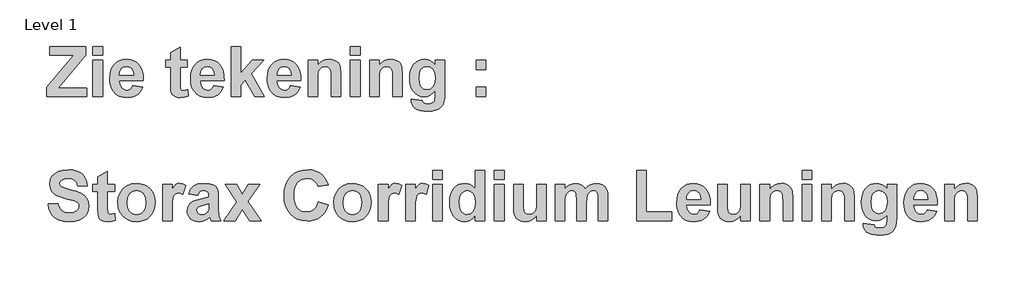
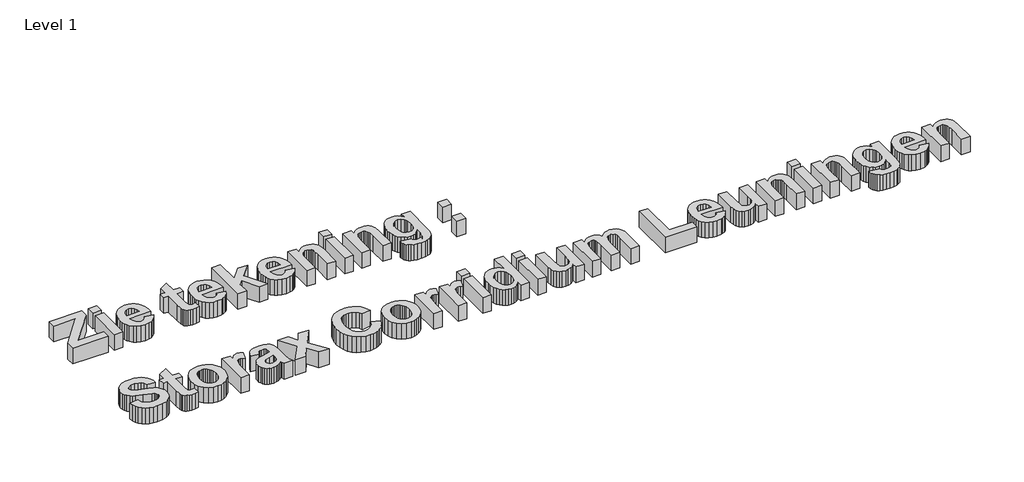
# One storey, part 10 of 14: 1 proxy.
"""IFC4 building model written with IfcOpenShell, lengths in millimetres."""

import ifcopenshell
import ifcopenshell.guid

model = None  # the IFC model being written
_history = None  # IfcOwnerHistory: only IFC2X3 demands one
_inside = {}  # id of a spatial element -> (the spatial element, [elements in it])
_under = {}  # id of a project, library or spatial element -> (it, [spatial elements below it])
_declared = {}  # id of a project -> (the project, [libraries it declares])
_typed = {}  # id of a type object -> (the type object, [elements of that type])
_made_of = {}  # id of a material, layer set ... -> (it, [elements and type objects made of it])


def new_model(schema):
    """Start an empty IFC model of exactly this schema.

    Asked for "IFC4X3", IfcOpenShell would pick the latest addendum, in which some entities
    have other attributes; the version numbers below select the first issue.
    IFC2X3 requires an IfcOwnerHistory on every rooted entity: one is made here for all.
    """
    global model, _history
    if schema == "IFC4X3":
        model = ifcopenshell.file(schema_version=(4, 3, 0, 0))
    else:
        model = ifcopenshell.file(schema=schema)
    _inside.clear()
    _under.clear()
    _declared.clear()
    _typed.clear()
    _made_of.clear()
    _history = None
    if model.schema == "IFC2X3":
        org = make("IfcOrganization", Name="unknown")
        user = make(
            "IfcPersonAndOrganization",
            ThePerson=make("IfcPerson", FamilyName="unknown"),
            TheOrganization=org,
        )
        app = make(
            "IfcApplication",
            ApplicationDeveloper=org,
            Version="unknown",
            ApplicationFullName="unknown",
            ApplicationIdentifier="unknown",
        )
        _history = make(
            "IfcOwnerHistory",
            OwningUser=user,
            OwningApplication=app,
            ChangeAction="ADDED",
            CreationDate=0,
        )
    return model


def make(cls, **values):
    """One entity of the class cls with the attributes given. An attribute that is None is left unset."""
    return model.create_entity(
        cls, **{name: value for name, value in values.items() if value is not None}
    )


def rooted(cls, **values):
    """An entity with a GlobalId (a new one), such as an element, a storey or a relation."""
    return make(cls, GlobalId=ifcopenshell.guid.new(), OwnerHistory=_history, **values)


def si_unit(unit_type, name, prefix=None):
    """IfcSIUnit, for example si_unit("LENGTHUNIT", "METRE", prefix="MILLI")."""
    return make("IfcSIUnit", UnitType=unit_type, Prefix=prefix, Name=name)


def assignment(units):
    """IfcUnitAssignment: the units of a project."""
    return None if units is None else make("IfcUnitAssignment", Units=units)


def point(xyz):
    """IfcCartesianPoint."""
    return None if xyz is None else make("IfcCartesianPoint", Coordinates=xyz)


def direction(xyz):
    """IfcDirection."""
    return None if xyz is None else make("IfcDirection", DirectionRatios=xyz)


def frame(location, z_axis=None, x_axis=None):
    """IfcAxis2Placement3D, a coordinate frame: its origin and axes. An axis left out is left unset."""
    return make(
        "IfcAxis2Placement3D",
        Location=point(location),
        Axis=direction(z_axis),
        RefDirection=direction(x_axis),
    )


def origin():
    """The frame at (0, 0, 0) with its axes left unset."""
    return frame((0.0, 0.0, 0.0))


def origin_with_axes():
    """The frame at (0, 0, 0) with the z axis (0, 0, 1) and the x axis (1, 0, 0) written out."""
    return frame((0.0, 0.0, 0.0), z_axis=(0.0, 0.0, 1.0), x_axis=(1.0, 0.0, 0.0))


def place(relative_to, where):
    """IfcLocalPlacement: puts the frame where relative to a parent placement (None: the world)."""
    return make(
        "IfcLocalPlacement", PlacementRelTo=relative_to, RelativePlacement=where
    )


def context(
    kind, dimensions, precision=None, world=None, true_north=None, identifier=None
):
    """IfcGeometricRepresentationContext, for example the 3D "Model" context."""
    return make(
        "IfcGeometricRepresentationContext",
        ContextIdentifier=identifier,
        ContextType=kind,
        CoordinateSpaceDimension=dimensions,
        Precision=precision,
        WorldCoordinateSystem=world,
        TrueNorth=true_north,
    )


def project(units=None, contexts=None):
    """IfcProject with its units and contexts."""
    return rooted(
        "IfcProject",
        Name="project",
        RepresentationContexts=contexts,
        UnitsInContext=assignment(units),
    )


def spatial(cls, under=None, at=None, **own):
    """A site, building, storey or space (cls), placed at a placement, below another one or the project."""
    s = rooted(cls, ObjectPlacement=at, **own)
    if under is not None:
        _under.setdefault(under.id(), (under, []))[1].append(s)
    return s


def polyline(points):
    """IfcPolyline through the points."""
    return make("IfcPolyline", Points=[point(p) for p in points])


def outline(outer, holes=None, kind="AREA"):
    """IfcArbitraryClosedProfileDef: a profile drawn as a closed curve; with holes, ...WithVoids."""
    if holes is None:
        return make("IfcArbitraryClosedProfileDef", ProfileType=kind, OuterCurve=outer)
    return make(
        "IfcArbitraryProfileDefWithVoids",
        ProfileType=kind,
        OuterCurve=outer,
        InnerCurves=holes,
    )


def extrude(swept, where, along, depth):
    """IfcExtrudedAreaSolid: the profile swept, set in the frame where, extruded along a direction by depth."""
    return make(
        "IfcExtrudedAreaSolid",
        SweptArea=swept,
        Position=where,
        ExtrudedDirection=direction(along),
        Depth=depth,
    )


def shape(context_of_items, identifier, shape_type, items):
    """IfcShapeRepresentation: the items that make up one representation, for example the "Body"."""
    return make(
        "IfcShapeRepresentation",
        ContextOfItems=context_of_items,
        RepresentationIdentifier=identifier,
        RepresentationType=shape_type,
        Items=items,
    )


def made_of(thing, what):
    """Note that an element or type object is made of a material, layer set ...; save() writes the relation."""
    if what is not None:
        _made_of.setdefault(what.id(), (what, []))[1].append(thing)
    return thing


def element(
    cls,
    number,
    at=None,
    inside=None,
    cuts=None,
    type_object=None,
    material=None,
    context=None,
    identifier="Body",
    shape_type=None,
    held_by="IfcProductDefinitionShape",
    body=None,
    shapes=None,
    **own,
):
    """One element of the class cls, such as IfcWall. Its Tag is "e" and its number.

    at: its placement. inside: the storey or other place that contains it. cuts: it is an
    opening in that element (IfcRelVoidsElement). A single representation is given by context,
    identifier, shape_type and body (its items); several are given by shapes. held_by: the class
    of the entity that holds the representations. save() writes the other relations.
    """
    e = rooted(cls, Tag="e%d" % number, ObjectPlacement=at, **own)
    if body is not None:
        shapes = [shape(context, identifier, shape_type, body)]
    if shapes is not None:
        e.Representation = make(held_by, Representations=shapes)
    if inside is not None:
        _inside.setdefault(inside.id(), (inside, []))[1].append(e)
    if cuts is not None:
        rooted(
            "IfcRelVoidsElement", RelatingBuildingElement=cuts, RelatedOpeningElement=e
        )
    if type_object is not None:
        _typed.setdefault(type_object.id(), (type_object, []))[1].append(e)
    return made_of(e, material)


def aggregate(whole, parts):
    """IfcRelAggregates: a whole, such as a stair, and the parts it consists of."""
    return rooted("IfcRelAggregates", RelatingObject=whole, RelatedObjects=parts)


def save(model, path):
    """Write the relations noted so far, then the file.

    IfcRelAggregates (storeys below a building ...), IfcRelContainedInSpatialStructure (elements
    in a storey), IfcRelDefinesByType, IfcRelAssociatesMaterial and IfcRelDeclares: one each for
    every whole, place, type object, material and project.
    """
    for whole, parts in _under.values():
        aggregate(whole, parts)
    for where, things in _inside.values():
        rooted(
            "IfcRelContainedInSpatialStructure",
            RelatedElements=things,
            RelatingStructure=where,
        )
    for kind, things in _typed.values():
        rooted("IfcRelDefinesByType", RelatedObjects=things, RelatingType=kind)
    for what, things in _made_of.values():
        rooted("IfcRelAssociatesMaterial", RelatedObjects=things, RelatingMaterial=what)
    for by, libraries in _declared.values():
        rooted("IfcRelDeclares", RelatingContext=by, RelatedDefinitions=libraries)
    model.write(path)


model = new_model("IFC4")

# Units and contexts
model_context = context("Model", 3, world=origin())
ifc_project = project(units=[si_unit("LENGTHUNIT", "METRE", prefix="MILLI")], contexts=[model_context])

# Site, building, storey
site = spatial("IfcSite", under=ifc_project)
building = spatial("IfcBuilding", under=site)
storey = spatial("IfcBuildingStorey", under=building, Name="Level 1", Elevation=0.0)

# Proxy
placement = place(None, origin())
element("IfcBuildingElementProxy", 1, Name="400mm", ObjectType="400mm", at=placement, inside=storey, context=model_context, shape_type="SweptSolid", body=[
    extrude(outline(polyline([(40439.2387969, -12163.053328), (40439.2387969, -12085.3192785), (40657.9670273, -11826.2057801), (40465.1501467, -11826.2057801), (40465.1501467, -11754.949568), (40756.6528324, -11754.949568), (40756.6528324, -11826.2057801), (40532.4589265, -12091.797116), (40763.1306699, -12091.797116), (40763.1306699, -12163.053328), (40439.2387969, -12163.053328)])), origin_with_axes(), (0.0, 0.0, 1.0), 150.0),
    extrude(outline(polyline([(40814.9533695, -12163.053328), (40814.9533695, -11865.0728049), (40892.6874191, -11865.0728049), (40892.6874191, -12163.053328), (40814.9533695, -12163.053328)])), origin_with_axes(), (0.0, 0.0, 1.0), 150.0),
    extrude(outline(polyline([(40814.9533695, -11826.2057801), (40814.9533695, -11754.949568), (40892.6874191, -11754.949568), (40892.6874191, -11826.2057801), (40814.9533695, -11826.2057801)])), origin_with_axes(), (0.0, 0.0, 1.0), 150.0),
    extrude(outline(polyline([(41138.8452425, -12072.3636036), (41216.5792921, -12085.3192785), (41197.6518607, -12121.5926379), (41184.9998344, -12136.0380889), (41170.2222677, -12148.0227208), (41153.3887468, -12157.4326654), (41134.5688577, -12164.1540543), (41090.9699751, -12169.5311655), (41055.7657119, -12166.3618329), (41025.4577829, -12156.8538351), (41000.0461881, -12141.0071722), (40979.5309275, -12118.8218441), (40967.0433776, -12097.1932052), (40958.123699, -12072.8949887), (40952.7718919, -12045.9271947), (40950.9879562, -12016.2898231), (40953.3538851, -11981.3449265), (40960.4516719, -11950.3980702), (40972.2813164, -11923.4492542), (40988.8428189, -11900.4984785), (41009.0228008, -11882.1656924), (41031.7078839, -11869.0708452), (41056.8980683, -11861.2139369), (41084.5933538, -11858.5949674), (41115.3694078, -11861.283523), (41142.7167626, -11869.3491898), (41166.6354183, -11882.7919677), (41187.1253749, -11901.6118568), (41203.4528148, -11925.9859854), (41214.8839205, -11956.091482), (41221.4186921, -11991.9283465), (41223.0571295, -12033.4965788), (41028.7220057, -12033.4965788), (41033.7069041, -12066.2400229), (41047.0421398, -12090.7849539), (41066.7033886, -12106.1192097), (41090.6663264, -12111.2306284), (41106.9874403, -12108.9279596), (41120.5251085, -12102.0199532), (41131.1781146, -12090.0005282), (41138.8452425, -12072.3636036)]), holes=[polyline([(41145.32308, -11988.1517166), (41140.5912222, -11957.4199448), (41128.015108, -11935.0638143), (41109.7455821, -11921.437582), (41087.9334887, -11916.8955045), (41064.9068009, -11921.6779705), (41046.2324101, -11936.0253683), (41033.9852487, -11958.6724954), (41030.0378164, -11988.1517166), (41145.32308, -11988.1517166)])]), origin_with_axes(), (0.0, 0.0, 1.0), 150.0),
    extrude(outline(polyline([(41579.3381898, -11865.0728049), (41579.3381898, -11923.373342), (41521.0376527, -11923.373342), (41521.0376527, -12051.2094156), (41522.8089364, -12096.4024535), (41530.8556251, -12107.0301556), (41546.1392728, -12111.2306284), (41582.5771085, -12103.7406288), (41585.8160273, -12159.0046796), (41555.830725, -12166.899544), (41522.151031, -12169.5311655), (41501.452316, -12167.7092737), (41482.8791414, -12162.2435983), (41467.7093619, -12153.893261), (41457.2208321, -12143.4173832), (41450.3001737, -12129.829107), (41445.8340084, -12112.1415742), (41443.3036032, -12055.5617127), (41443.3036032, -11923.373342), (41404.4365784, -11923.373342), (41404.4365784, -11865.0728049), (41443.3036032, -11865.0728049), (41443.3036032, -11806.7722677), (41521.0376527, -11761.4274055), (41521.0376527, -11865.0728049), (41579.3381898, -11865.0728049)])), origin_with_axes(), (0.0, 0.0, 1.0), 150.0),
    extrude(outline(polyline([(41793.106826, -12072.3636036), (41870.8408755, -12085.3192785), (41851.9134442, -12121.5926379), (41839.2614179, -12136.0380889), (41824.4838512, -12148.0227208), (41807.6503302, -12157.4326654), (41788.8304411, -12164.1540543), (41745.2315585, -12169.5311655), (41710.0272954, -12166.3618329), (41679.7193664, -12156.8538351), (41654.3077716, -12141.0071722), (41633.792511, -12118.8218441), (41621.304961, -12097.1932052), (41612.3852825, -12072.8949887), (41607.0334754, -12045.9271947), (41605.2495397, -12016.2898231), (41607.6154686, -11981.3449265), (41614.7132553, -11950.3980702), (41626.5428999, -11923.4492542), (41643.1044023, -11900.4984785), (41663.2843842, -11882.1656924), (41685.9694674, -11869.0708452), (41711.1596517, -11861.2139369), (41738.8549373, -11858.5949674), (41769.6309912, -11861.283523), (41796.978346, -11869.3491898), (41820.8970017, -11882.7919677), (41841.3869583, -11901.6118568), (41857.7143982, -11925.9859854), (41869.145504, -11956.091482), (41875.6802756, -11991.9283465), (41877.318713, -12033.4965788), (41682.9835892, -12033.4965788), (41687.9684875, -12066.2400229), (41701.3037232, -12090.7849539), (41720.9649721, -12106.1192097), (41744.9279099, -12111.2306284), (41761.2490238, -12108.9279596), (41774.7866919, -12102.0199532), (41785.4396981, -12090.0005282), (41793.106826, -12072.3636036)]), holes=[polyline([(41799.5846635, -11988.1517166), (41794.8528056, -11957.4199448), (41782.2766915, -11935.0638143), (41764.0071655, -11921.437582), (41742.1950722, -11916.8955045), (41719.1683844, -11921.6779705), (41700.4939936, -11936.0253683), (41688.2468321, -11958.6724954), (41684.2993999, -11988.1517166), (41799.5846635, -11988.1517166)])]), origin_with_axes(), (0.0, 0.0, 1.0), 150.0),
    extrude(outline(polyline([(41935.6192501, -12163.053328), (41935.6192501, -11754.949568), (42013.3532996, -11754.949568), (42013.3532996, -11970.034015), (42107.2819428, -11865.0728049), (42197.9716673, -11865.0728049), (42098.0712677, -11974.5887444), (42204.4495047, -12163.053328), (42126.7154552, -12163.053328), (42048.0704598, -12029.5491466), (42013.3532996, -12067.6064417), (42013.3532996, -12163.053328), (41935.6192501, -12163.053328)])), origin_with_axes(), (0.0, 0.0, 1.0), 150.0),
    extrude(outline(polyline([(42414.9792222, -12072.3636036), (42492.7132717, -12085.3192785), (42473.7858404, -12121.5926379), (42461.1338141, -12136.0380889), (42446.3562474, -12148.0227208), (42429.5227264, -12157.4326654), (42410.7028373, -12164.1540543), (42367.1039547, -12169.5311655), (42331.8996915, -12166.3618329), (42301.5917626, -12156.8538351), (42276.1801678, -12141.0071722), (42255.6649071, -12118.8218441), (42243.1773572, -12097.1932052), (42234.2576787, -12072.8949887), (42228.9058715, -12045.9271947), (42227.1219358, -12016.2898231), (42229.4878647, -11981.3449265), (42236.5856515, -11950.3980702), (42248.4152961, -11923.4492542), (42264.9767985, -11900.4984785), (42285.1567804, -11882.1656924), (42307.8418635, -11869.0708452), (42333.0320479, -11861.2139369), (42360.7273334, -11858.5949674), (42391.5033874, -11861.283523), (42418.8507422, -11869.3491898), (42442.7693979, -11882.7919677), (42463.2593545, -11901.6118568), (42479.5867944, -11925.9859854), (42491.0179002, -11956.091482), (42497.5526717, -11991.9283465), (42499.1911091, -12033.4965788), (42304.8559853, -12033.4965788), (42309.8408837, -12066.2400229), (42323.1761194, -12090.7849539), (42342.8373683, -12106.1192097), (42366.8003061, -12111.2306284), (42383.12142, -12108.9279596), (42396.6590881, -12102.0199532), (42407.3120942, -12090.0005282), (42414.9792222, -12072.3636036)]), holes=[polyline([(42421.4570596, -11988.1517166), (42416.7252018, -11957.4199448), (42404.1490877, -11935.0638143), (42385.8795617, -11921.437582), (42364.0674684, -11916.8955045), (42341.0407805, -11921.6779705), (42322.3663897, -11936.0253683), (42310.1192283, -11958.6724954), (42306.1717961, -11988.1517166), (42421.4570596, -11988.1517166)])]), origin_with_axes(), (0.0, 0.0, 1.0), 150.0),
    extrude(outline(polyline([(42823.0829821, -12163.053328), (42745.3489326, -12163.053328), (42745.3489326, -12009.9132018), (42744.1343381, -11969.8315825), (42740.4905545, -11946.956719), (42734.0886292, -11934.2793887), (42724.5996095, -11924.790369), (42712.4789683, -11918.8692206), (42698.1821786, -11916.8955045), (42679.3686155, -11919.7169064), (42662.6046807, -11928.181112), (42649.3453571, -11941.3139153), (42641.0456279, -11958.1411103), (42636.6806788, -11984.7230175), (42635.2256958, -12027.1199576), (42635.2256958, -12163.053328), (42557.4916463, -12163.053328), (42557.4916463, -11865.0728049), (42635.2256958, -11865.0728049), (42635.2256958, -11907.988478), (42654.8932707, -11886.3788171), (42676.9520785, -11870.9433451), (42701.4021193, -11861.6820618), (42728.2433931, -11858.5949674), (42751.8773782, -11860.9482443), (42773.3858229, -11868.008075), (42791.3517002, -11878.7116892), (42804.3579832, -11891.9963168), (42813.2776618, -11907.5456571), (42818.9837256, -11925.0434095), (42823.0829821, -11978.0300956), (42823.0829821, -12163.053328)])), origin_with_axes(), (0.0, 0.0, 1.0), 150.0),
    extrude(outline(polyline([(42900.8170317, -12163.053328), (42900.8170317, -11865.0728049), (42978.5510812, -11865.0728049), (42978.5510812, -12163.053328), (42900.8170317, -12163.053328)])), origin_with_axes(), (0.0, 0.0, 1.0), 150.0),
    extrude(outline(polyline([(42900.8170317, -11826.2057801), (42900.8170317, -11754.949568), (42978.5510812, -11754.949568), (42978.5510812, -11826.2057801), (42900.8170317, -11826.2057801)])), origin_with_axes(), (0.0, 0.0, 1.0), 150.0),
    extrude(outline(polyline([(43321.8764666, -12163.053328), (43244.1424171, -12163.053328), (43244.1424171, -12009.9132018), (43242.9278225, -11969.8315825), (43239.284039, -11946.956719), (43232.8821137, -11934.2793887), (43223.3930939, -11924.790369), (43211.2724528, -11918.8692206), (43196.975663, -11916.8955045), (43178.1621, -11919.7169064), (43161.3981651, -11928.181112), (43148.1388416, -11941.3139153), (43139.8391123, -11958.1411103), (43135.4741633, -11984.7230175), (43134.0191802, -12027.1199576), (43134.0191802, -12163.053328), (43056.2851307, -12163.053328), (43056.2851307, -11865.0728049), (43134.0191802, -11865.0728049), (43134.0191802, -11907.988478), (43153.6867551, -11886.3788171), (43175.7455629, -11870.9433451), (43200.1956037, -11861.6820618), (43227.0368775, -11858.5949674), (43250.6708626, -11860.9482443), (43272.1793073, -11868.008075), (43290.1451846, -11878.7116892), (43303.1514677, -11891.9963168), (43312.0711462, -11907.5456571), (43317.7772101, -11925.0434095), (43321.8764666, -11978.0300956), (43321.8764666, -12163.053328)])), origin_with_axes(), (0.0, 0.0, 1.0), 150.0),
    extrude(outline(polyline([(43393.1326786, -12182.4868404), (43483.8224031, -12195.4425153), (43487.2890583, -12206.8799471), (43493.4379431, -12214.066298), (43506.9250031, -12219.5319734), (43526.3332114, -12221.3538652), (43551.4854397, -12219.0511964), (43569.451317, -12212.14319), (43577.9028706, -12204.0711973), (43584.0264513, -12192.2035966), (43587.4678024, -12155.9681933), (43587.4678024, -12112.5464391), (43567.4206668, -12134.643203), (43545.7414197, -12150.4266058), (43522.4300613, -12159.8966475), (43497.4865915, -12163.053328), (43470.2404529, -12159.8839954), (43445.9928445, -12150.3759977), (43424.7437663, -12134.5293348), (43406.4932184, -12112.3440067), (43394.9798745, -12091.0759505), (43386.7560574, -12067.3534012), (43381.8217671, -12041.1763588), (43380.1770037, -12012.5448233), (43382.3310112, -11977.3057671), (43388.7930336, -11946.488594), (43399.563071, -11920.0933042), (43414.6411233, -11898.1198975), (43432.9264643, -11880.8277406), (43453.3183677, -11868.4761999), (43475.8168334, -11861.0652755), (43500.4218616, -11858.5949674), (43525.675306, -11861.5239115), (43548.6007777, -11870.3107438), (43569.1982765, -11884.9554642), (43587.4678024, -11905.4580728), (43587.4678024, -11865.0728049), (43665.201852, -11865.0728049), (43665.201852, -12129.7531948), (43663.0889636, -12175.3131415), (43656.7502984, -12207.7402849), (43646.6033733, -12230.8049288), (43633.0657052, -12248.2773771), (43615.2769562, -12261.3722243), (43592.3767886, -12271.304065), (43563.5428207, -12277.566818), (43527.9526708, -12279.6544023), (43493.8364819, -12278.0982031), (43465.0721001, -12273.4296054), (43441.6595255, -12265.6486092), (43423.5987579, -12254.7552146), (43410.137002, -12241.470587), (43400.521462, -12226.5158919), (43394.752138, -12209.8911294), (43392.82903, -12191.5962993), (43393.1326786, -12182.4868404)]), holes=[polyline([(43457.9110532, -12009.6095532), (43462.4025226, -12052.3734021), (43468.0168592, -12068.7830802), (43475.8769306, -12081.8779274), (43495.9556963, -12099.034075), (43520.2602388, -12104.7527909), (43546.3107609, -12098.8822507), (43567.9836819, -12081.2706301), (43576.5079847, -12068.1188488), (43582.5967723, -12052.1456656), (43587.4678024, -12011.7350936), (43582.7992047, -11969.7683224), (43576.9634576, -11953.4440455), (43568.7934116, -11940.225841), (43547.6518757, -11922.7280887), (43521.5760495, -11916.8955045), (43496.284649, -11922.6142204), (43475.8769306, -11939.7703681), (43468.0168592, -11952.713391), (43462.4025226, -11968.6675961), (43457.9110532, -12009.6095532)])]), origin_with_axes(), (0.0, 0.0, 1.0), 150.0),
    extrude(outline(polyline([(43917.8375129, -11942.8068544), (43917.8375129, -11865.0728049), (43995.5715624, -11865.0728049), (43995.5715624, -11942.8068544), (43917.8375129, -11942.8068544)])), origin_with_axes(), (0.0, 0.0, 1.0), 150.0),
    extrude(outline(polyline([(43917.8375129, -12163.053328), (43917.8375129, -12085.3192785), (43995.5715624, -12085.3192785), (43995.5715624, -12163.053328), (43917.8375129, -12163.053328)])), origin_with_axes(), (0.0, 0.0, 1.0), 150.0),
    extrude(outline(polyline([(40452.1944718, -13034.3095401), (40529.9285213, -13027.8317026), (40541.2647368, -13062.5994709), (40560.2933844, -13086.739537), (40587.1409842, -13100.8591984), (40621.9340565, -13105.5657522), (40658.0429395, -13101.4032355), (40683.9795934, -13088.9156856), (40699.6174979, -13070.861244), (40704.8301327, -13049.9980527), (40702.6666362, -13036.7766852), (40696.1761467, -13025.6555541), (40684.27059, -13016.2550986), (40665.8618917, -13008.1957578), (40598.4518957, -12990.8877859), (40540.9104801, -12972.9978207), (40519.693032, -12962.553573), (40503.5110904, -12951.1098152), (40486.7281775, -12933.3906524), (40474.7403826, -12913.8369458), (40467.5477057, -12892.4486953), (40465.1501467, -12869.2259011), (40469.5530518, -12839.1646866), (40482.7617673, -12811.1277964), (40504.270212, -12787.3166829), (40533.5723049, -12769.9327988), (40570.1872689, -12759.3050967), (40613.6343272, -12755.7625293), (40649.5755709, -12757.9703079), (40680.7786307, -12764.5936437), (40707.2435067, -12775.6325366), (40728.9701989, -12791.0869867), (40746.0282933, -12810.2231765), (40758.4873762, -12832.3072884), (40766.3474475, -12857.3393224), (40769.6085073, -12885.3192785), (40691.8744578, -12885.3192785), (40683.2837319, -12858.610851), (40668.4429051, -12840.6323217), (40645.9855584, -12830.4221364), (40614.5452731, -12827.0187414), (40581.4475723, -12830.6372209), (40556.4471684, -12841.4926594), (40546.2749393, -12852.3734021), (40542.8841962, -12866.3918472), (40545.9712906, -12879.6258667), (40555.2325739, -12890.7849539), (40582.1181297, -12903.854497), (40631.3977721, -12917.3542091), (40683.9922454, -12931.3979583), (40720.8222939, -12946.0996128), (40746.6324276, -12963.9010138), (40766.1671562, -12987.2440023), (40778.4649257, -13016.4195749), (40782.5641822, -13051.7187283), (40777.7184562, -13085.4237263), (40763.181278, -13116.9019677), (40739.7750293, -13143.3700067), (40708.322092, -13162.0443975), (40668.4808612, -13173.1275725), (40619.9097323, -13176.8219642), (40583.5857648, -13174.5477625), (40551.7406146, -13167.7251573), (40524.3742818, -13156.3541487), (40501.4867662, -13140.4347366), (40482.9199176, -13120.1567015), (40468.5155857, -13095.7098237), (40458.2737704, -13067.0941032), (40452.1944718, -13034.3095401)])), origin_with_axes(), (0.0, 0.0, 1.0), 150.0),
    extrude(outline(polyline([(40989.854981, -12872.3636036), (40989.854981, -12930.6641407), (40931.5544438, -12930.6641407), (40931.5544438, -13058.5002144), (40933.3257275, -13103.6932523), (40941.3724162, -13114.3209543), (40956.656064, -13118.5214271), (40993.0938997, -13111.0314275), (40996.3328184, -13166.2954783), (40966.3475161, -13174.1903427), (40932.6678221, -13176.8219642), (40911.9691071, -13175.0000724), (40893.3959325, -13169.5343971), (40878.226153, -13161.1840597), (40867.7376232, -13150.708182), (40860.8169648, -13137.1199057), (40856.3507996, -13119.432373), (40853.8203943, -13062.8525114), (40853.8203943, -12930.6641407), (40814.9533695, -12930.6641407), (40814.9533695, -12872.3636036), (40853.8203943, -12872.3636036), (40853.8203943, -12814.0630664), (40931.5544438, -12768.7182042), (40931.5544438, -12872.3636036), (40989.854981, -12872.3636036)])), origin_with_axes(), (0.0, 0.0, 1.0), 150.0),
    extrude(outline(polyline([(41015.7663308, -13017.1027843), (41020.5614488, -12978.5520602), (41034.9468026, -12941.2412347), (41058.1126628, -12908.8900035), (41089.2492995, -12885.2180623), (41126.4209527, -12870.7188402), (41167.6918625, -12865.8857661), (41199.6793479, -12868.6249298), (41228.6366731, -12876.8424209), (41254.563838, -12890.5382394), (41277.4608426, -12909.7123852), (41296.1700264, -12933.0743517), (41309.5337292, -12959.3336323), (41317.5519509, -12988.4902269), (41320.2246914, -13020.5441355), (41317.5234838, -13052.8542476), (41309.419861, -13082.2733718), (41295.9138229, -13108.8015079), (41277.0053696, -13132.438656), (41254.0039858, -13151.8563533), (41228.2191562, -13165.7261372), (41199.6508809, -13174.0480074), (41168.2991597, -13176.8219642), (41128.6603614, -13172.2039746), (41090.919367, -13158.3500058), (41058.5301797, -13135.5637065), (41034.9468026, -13104.1487252), (41020.5614488, -13064.5225789), (41015.7663308, -13017.1027843)]), holes=[polyline([(41093.5003803, -13021.3538652), (41098.8774915, -13062.9157715), (41105.5988805, -13079.5690011), (41115.008825, -13093.470415), (41126.3924857, -13104.4302328), (41139.0350229, -13112.2586741), (41152.9364368, -13116.9557388), (41168.0967273, -13118.5214271), (41183.2506918, -13116.9557388), (41197.1331276, -13112.2586741), (41209.7440349, -13104.4302328), (41221.0834134, -13093.470415), (41230.4490759, -13079.5310451), (41237.1388348, -13062.7639472), (41242.4906419, -13020.7465679), (41237.1388348, -12979.6401345), (41230.4490759, -12963.1007731), (41221.0834134, -12949.2373153), (41209.7440349, -12938.2774975), (41197.1331276, -12930.4490563), (41183.2506918, -12925.7519915), (41168.0967273, -12924.1863033), (41152.9364368, -12925.7519915), (41139.0350229, -12930.4490563), (41126.3924857, -12938.2774975), (41115.008825, -12949.2373153), (41105.5988805, -12963.1387292), (41098.8774915, -12979.7919588), (41093.5003803, -13021.3538652)])]), origin_with_axes(), (0.0, 0.0, 1.0), 150.0),
    extrude(outline(polyline([(41456.2592781, -13170.3441268), (41378.5252286, -13170.3441268), (41378.5252286, -12872.3636036), (41456.2592781, -12872.3636036), (41456.2592781, -12913.8622498), (41472.6816082, -12889.4564911), (41487.3326546, -12875.1470494), (41502.0596132, -12868.2010869), (41518.7096798, -12865.8857661), (41542.9762663, -12869.9850226), (41566.3825149, -12882.2827922), (41543.7100838, -12956.2718419), (41524.9850849, -12946.7828222), (41507.6771129, -12943.6198157), (41492.7350699, -12945.8339203), (41480.298128, -12952.4762341), (41470.3030273, -12964.8878718), (41462.6865074, -12984.4099484), (41457.8660854, -13020.1392706), (41456.2592781, -13081.1726455), (41456.2592781, -13170.3441268)])), origin_with_axes(), (0.0, 0.0, 1.0), 150.0),
    extrude(outline(polyline([(41663.5500768, -12963.053328), (41592.2938647, -12950.0976531), (41607.7419888, -12912.7488715), (41618.5499823, -12898.2496494), (41631.41393, -12886.533873), (41646.9854114, -12877.5003263), (41665.9160057, -12871.0477929), (41713.8545333, -12865.8857661), (41757.2003754, -12869.0108166), (41787.8435831, -12878.3859681), (41808.5422981, -12892.5562375), (41822.0546621, -12910.0666419), (41829.4940536, -12937.2811505), (41831.9738508, -12980.5637324), (41831.9738508, -13072.4680514), (41836.0731073, -13130.3637237), (41851.4073631, -13170.3441268), (41773.6733136, -13170.3441268), (41766.3857465, -13145.6473714), (41763.6529088, -13135.829399), (41743.536187, -13153.7320162), (41722.0530464, -13166.5485189), (41699.1528788, -13174.2536029), (41674.7850761, -13176.8219642), (41653.7922015, -13175.262602), (41635.1462778, -13170.5845153), (41618.8473049, -13162.7877041), (41604.8952829, -13151.8721684), (41593.7140547, -13138.5780517), (41585.7274631, -13123.6454977), (41580.9355081, -13107.0745063), (41579.3381898, -13088.8650774), (41582.1848957, -13065.0286599), (41590.7250135, -13043.9250801), (41604.4018539, -13026.4905878), (41622.6587278, -13013.6614332), (41647.7350439, -13003.8181567), (41681.8702109, -12995.3412991), (41726.0763907, -12985.3461984), (41754.2398012, -12976.009003), (41754.2398012, -12967.8104899), (41751.8232642, -12947.617856), (41744.5736532, -12934.2067081), (41730.6437722, -12926.6914045), (41708.1864255, -12924.1863033), (41692.0677441, -12926.3371477), (41679.9471029, -12932.7896811), (41670.7870358, -12944.6572818), (41663.5500768, -12963.053328)]), holes=[polyline([(41754.2398012, -13034.3095401), (41710.4131822, -13045.0890665), (41671.1412926, -13057.386836), (41660.5895026, -13068.444707), (41657.0722393, -13082.1848076), (41659.8936412, -13095.9628642), (41668.3578468, -13107.7419007), (41681.1743494, -13115.8265455), (41697.0526424, -13118.5214271), (41716.106594, -13115.3837246), (41734.1989916, -13105.970617), (41745.0797342, -13095.393523), (41751.4057474, -13082.6908886), (41754.2398012, -13048.3785933), (41754.2398012, -13034.3095401)])]), origin_with_axes(), (0.0, 0.0, 1.0), 150.0),
    extrude(outline(polyline([(41874.0797943, -13170.3441268), (41979.344653, -13016.9003519), (41887.0354692, -12872.3636036), (41979.4458692, -12872.3636036), (42024.3858666, -12954.2475177), (42073.1720799, -12872.3636036), (42165.58248, -12872.3636036), (42070.5404585, -13013.4590008), (42178.5381549, -13170.3441268), (42086.1277549, -13170.3441268), (42024.3858666, -13078.0349429), (41966.4901943, -13170.3441268), (41874.0797943, -13170.3441268)])), origin_with_axes(), (0.0, 0.0, 1.0), 150.0),
    extrude(outline(polyline([(42641.7035333, -13014.8760277), (42719.4375828, -13040.7873776), (42708.7023385, -13071.5223124), (42694.9179558, -13098.0377965), (42678.0844349, -13120.3338298), (42658.2017755, -13138.4104124), (42635.3522161, -13152.3814124), (42609.6179946, -13162.3606982), (42580.9991111, -13168.3482696), (42549.4955657, -13170.3441268), (42510.5716068, -13166.9344057), (42475.2787795, -13156.7052424), (42443.6170837, -13139.656637), (42415.5865194, -13115.7885894), (42392.6483958, -13086.0057195), (42376.2640217, -13051.2126472), (42366.4333973, -13011.4093725), (42363.1565225, -12966.5958954), (42366.4618644, -12919.3405772), (42376.37789, -12877.6774546), (42392.9045993, -12841.6065277), (42416.0419924, -12811.1277964), (42444.5691486, -12786.905492), (42477.2651476, -12769.6038461), (42514.1299892, -12759.2228585), (42555.1636734, -12755.7625293), (42591.04482, -12758.6155612), (42623.3833992, -12767.174657), (42652.179411, -12781.4398167), (42677.4328555, -12801.4110402), (42701.9524825, -12834.2303964), (42719.4375828, -12878.841441), (42641.7035333, -12891.797116), (42629.7979765, -12864.9115601), (42609.4661703, -12844.3773214), (42582.2769658, -12831.3583864), (42549.7992143, -12827.0187414), (42526.6997773, -12828.9892945), (42505.8840311, -12834.9009537), (42487.3519755, -12844.7537192), (42471.1036108, -12858.5475909), (42457.8854063, -12876.7506937), (42448.4438317, -12899.8311527), (42442.7788869, -12927.7889678), (42440.890572, -12960.624139), (42442.7219528, -12995.3792552), (42448.2160952, -13024.7446082), (42457.3729993, -13048.720198), (42470.1926649, -13067.3060247), (42485.9476006, -13081.2106015), (42503.910315, -13091.1424422), (42524.0808079, -13097.1015466), (42546.4590794, -13099.0879147), (42578.5825741, -13094.0144521), (42605.9236029, -13078.7940645), (42617.516022, -13067.1889934), (42627.3434834, -13052.6676302), (42641.7035333, -13014.8760277)])), origin_with_axes(), (0.0, 0.0, 1.0), 150.0),
    extrude(outline(polyline([(42764.782445, -13017.1027843), (42769.577563, -12978.5520602), (42783.9629169, -12941.2412347), (42807.128777, -12908.8900035), (42838.2654137, -12885.2180623), (42875.4370669, -12870.7188402), (42916.7079767, -12865.8857661), (42948.6954622, -12868.6249298), (42977.6527873, -12876.8424209), (43003.5799522, -12890.5382394), (43026.4769568, -12909.7123852), (43045.1861406, -12933.0743517), (43058.5498434, -12959.3336323), (43066.5680651, -12988.4902269), (43069.2408056, -13020.5441355), (43066.539598, -13052.8542476), (43058.4359752, -13082.2733718), (43044.9299371, -13108.8015079), (43026.0214838, -13132.438656), (43003.0201, -13151.8563533), (42977.2352705, -13165.7261372), (42948.6669951, -13174.0480074), (42917.3152739, -13176.8219642), (42877.6764756, -13172.2039746), (42839.9354812, -13158.3500058), (42807.5462939, -13135.5637065), (42783.9629169, -13104.1487252), (42769.577563, -13064.5225789), (42764.782445, -13017.1027843)]), holes=[polyline([(42842.5164945, -13021.3538652), (42847.8936057, -13062.9157715), (42854.6149947, -13079.5690011), (42864.0249392, -13093.470415), (42875.4085999, -13104.4302328), (42888.0511371, -13112.2586741), (42901.952551, -13116.9557388), (42917.1128415, -13118.5214271), (42932.266806, -13116.9557388), (42946.1492419, -13112.2586741), (42958.7601491, -13104.4302328), (42970.0995276, -13093.470415), (42979.4651901, -13079.5310451), (42986.154949, -13062.7639472), (42991.5067561, -13020.7465679), (42986.154949, -12979.6401345), (42979.4651901, -12963.1007731), (42970.0995276, -12949.2373153), (42958.7601491, -12938.2774975), (42946.1492419, -12930.4490563), (42932.266806, -12925.7519915), (42917.1128415, -12924.1863033), (42901.952551, -12925.7519915), (42888.0511371, -12930.4490563), (42875.4085999, -12938.2774975), (42864.0249392, -12949.2373153), (42854.6149947, -12963.1387292), (42847.8936057, -12979.7919588), (42842.5164945, -13021.3538652)])]), origin_with_axes(), (0.0, 0.0, 1.0), 150.0),
    extrude(outline(polyline([(43205.2753923, -13170.3441268), (43127.5413428, -13170.3441268), (43127.5413428, -12872.3636036), (43205.2753923, -12872.3636036), (43205.2753923, -12913.8622498), (43221.6977224, -12889.4564911), (43236.3487689, -12875.1470494), (43251.0757275, -12868.2010869), (43267.7257941, -12865.8857661), (43291.9923805, -12869.9850226), (43315.3986291, -12882.2827922), (43292.726198, -12956.2718419), (43274.0011991, -12946.7828222), (43256.6932271, -12943.6198157), (43241.7511841, -12945.8339203), (43229.3142422, -12952.4762341), (43219.3191415, -12964.8878718), (43211.7026216, -12984.4099484), (43206.8821996, -13020.1392706), (43205.2753923, -13081.1726455), (43205.2753923, -13170.3441268)])), origin_with_axes(), (0.0, 0.0, 1.0), 150.0),
    extrude(outline(polyline([(43425.5218659, -13170.3441268), (43347.7878164, -13170.3441268), (43347.7878164, -12872.3636036), (43425.5218659, -12872.3636036), (43425.5218659, -12913.8622498), (43441.9441961, -12889.4564911), (43456.5952425, -12875.1470494), (43471.3222011, -12868.2010869), (43487.9722677, -12865.8857661), (43512.2388541, -12869.9850226), (43535.6451028, -12882.2827922), (43512.9726716, -12956.2718419), (43494.2476727, -12946.7828222), (43476.9397008, -12943.6198157), (43461.9976577, -12945.8339203), (43449.5607159, -12952.4762341), (43439.5656151, -12964.8878718), (43431.9490953, -12984.4099484), (43427.1286733, -13020.1392706), (43425.5218659, -13081.1726455), (43425.5218659, -13170.3441268)])), origin_with_axes(), (0.0, 0.0, 1.0), 150.0),
    extrude(outline(polyline([(43568.0342901, -12833.4965788), (43568.0342901, -12762.2403668), (43645.7683396, -12762.2403668), (43645.7683396, -12833.4965788), (43568.0342901, -12833.4965788)])), origin_with_axes(), (0.0, 0.0, 1.0), 150.0),
    extrude(outline(polyline([(43568.0342901, -13170.3441268), (43568.0342901, -12872.3636036), (43645.7683396, -12872.3636036), (43645.7683396, -13170.3441268), (43568.0342901, -13170.3441268)])), origin_with_axes(), (0.0, 0.0, 1.0), 150.0),
    extrude(outline(polyline([(43989.093725, -13170.3441268), (43911.3596754, -13170.3441268), (43911.3596754, -13127.4284536), (43892.394288, -13149.2278949), (43870.3165022, -13164.6254109), (43846.5939529, -13173.7728259), (43822.6942752, -13176.8219642), (43799.1267132, -13174.2409508), (43777.3114569, -13166.4979108), (43757.2485062, -13153.5928439), (43738.9378612, -13135.5257504), (43723.6826805, -13112.8343413), (43712.7861228, -13086.0563276), (43706.2481882, -13055.1917095), (43704.0688767, -13020.2404869), (43706.2450252, -12984.700945), (43712.7734708, -12953.6908286), (43723.6542134, -12927.2101376), (43738.8872531, -12905.2588719), (43757.4477756, -12888.0331381), (43778.310967, -12875.7290426), (43801.4768271, -12868.3465852), (43826.945356, -12865.8857661), (43850.516081, -12868.4351494), (43872.4420426, -12876.0832993), (43892.7232407, -12888.8302158), (43911.3596754, -12906.6758989), (43911.3596754, -12762.2403668), (43989.093725, -12762.2403668), (43989.093725, -13170.3441268)]), holes=[polyline([(43781.8029262, -13015.6857574), (43785.041845, -13057.9941333), (43794.7586012, -13086.739537), (43805.0510245, -13100.6441139), (43817.2032958, -13110.5759546), (43831.2154149, -13116.5350589), (43847.0873819, -13118.5214271), (43871.8853534, -13112.5623227), (43892.6346765, -13094.6850095), (43900.8268635, -13081.2960027), (43906.6784257, -13064.9653998), (43911.3596754, -13023.4794056), (43906.817598, -12978.0459792), (43901.1400012, -12960.8803425), (43893.1913657, -12947.4154235), (43872.4546946, -12929.9935833), (43846.5813008, -12924.1863033), (43821.2772483, -12929.9303232), (43800.4267089, -12947.162383), (43792.278804, -12960.0611238), (43786.4588719, -12975.7812665), (43781.8029262, -13015.6857574)])]), origin_with_axes(), (0.0, 0.0, 1.0), 150.0),
    extrude(outline(polyline([(44066.8277745, -12833.4965788), (44066.8277745, -12762.2403668), (44144.561824, -12762.2403668), (44144.561824, -12833.4965788), (44066.8277745, -12833.4965788)])), origin_with_axes(), (0.0, 0.0, 1.0), 150.0),
    extrude(outline(polyline([(44066.8277745, -13170.3441268), (44066.8277745, -12872.3636036), (44144.561824, -12872.3636036), (44144.561824, -13170.3441268), (44066.8277745, -13170.3441268)])), origin_with_axes(), (0.0, 0.0, 1.0), 150.0),
    extrude(outline(polyline([(44410.1531599, -13170.3441268), (44410.1531599, -13126.6187239), (44392.2505427, -13147.5072193), (44369.5148514, -13163.4108163), (44343.6414577, -13173.4691772), (44316.3257329, -13176.8219642), (44289.3263088, -13173.5324374), (44265.2115467, -13163.6638569), (44245.6768181, -13147.836172), (44232.4174945, -13126.669332), (44224.8262788, -13098.265533), (44222.2958735, -13060.726971), (44222.2958735, -12872.3636036), (44300.029923, -12872.3636036), (44300.029923, -13010.1188658), (44301.0800412, -13061.1191838), (44304.2303958, -13087.5998748), (44310.1768481, -13100.3531173), (44319.6152597, -13110.1710897), (44332.3052421, -13116.4338427), (44348.0064067, -13118.5214271), (44366.6175374, -13115.7379813), (44383.1790398, -13107.3876439), (44396.261235, -13094.900094), (44404.434444, -13079.7050104), (44408.7234809, -13051.1999952), (44410.1531599, -12998.7826503), (44410.1531599, -12872.3636036), (44487.8872094, -12872.3636036), (44487.8872094, -13170.3441268), (44410.1531599, -13170.3441268)])), origin_with_axes(), (0.0, 0.0, 1.0), 150.0),
    extrude(outline(polyline([(44559.1434214, -12872.3636036), (44636.877471, -12872.3636036), (44636.877471, -12912.2427905), (44656.0136607, -12891.9615923), (44676.8831781, -12877.4750222), (44699.4860231, -12868.7830802), (44723.8221956, -12865.8857661), (44748.8605556, -12868.732472), (44770.3310443, -12877.2725898), (44788.2589655, -12891.5820315), (44802.6696235, -12911.7367094), (44822.5712608, -12891.5820315), (44844.0164454, -12877.2725898), (44866.9798731, -12868.732472), (44891.4362399, -12865.8857661), (44920.9660693, -12869.213249), (44945.5869124, -12879.1956978), (44964.9698167, -12895.6306799), (44978.7858294, -12918.3157631), (44984.7069777, -12943.2402549), (44986.6806938, -12979.9564352), (44986.6806938, -13170.3441268), (44908.9466443, -13170.3441268), (44908.9466443, -12998.7826503), (44906.9729282, -12962.06647), (44901.0517799, -12941.1906266), (44887.640632, -12928.4373841), (44868.4601602, -12924.1863033), (44852.9361239, -12926.7293606), (44838.3483376, -12934.3585324), (44826.2023924, -12946.8966905), (44818.0038793, -12964.1667063), (44813.3352816, -12989.496063), (44811.7790824, -13026.2122433), (44811.7790824, -13170.3441268), (44734.0450329, -13170.3441268), (44734.0450329, -13005.867785), (44729.9963844, -12949.3385315), (44724.8470097, -12938.2553565), (44717.4961825, -12930.4111002), (44707.5137337, -12925.7425025), (44694.4694946, -12924.1863033), (44677.8447321, -12926.6534484), (44662.9912532, -12934.0548838), (44650.9971323, -12946.1249169), (44642.9504436, -12962.5978551), (44638.3957141, -12987.4084786), (44636.877471, -13024.4915677), (44636.877471, -13170.3441268), (44559.1434214, -13170.3441268), (44559.1434214, -12872.3636036)])), origin_with_axes(), (0.0, 0.0, 1.0), 150.0),
    extrude(outline(polyline([(45219.8828424, -13170.3441268), (45219.8828424, -12762.2403668), (45297.6168919, -12762.2403668), (45297.6168919, -13099.0879147), (45504.9076906, -13099.0879147), (45504.9076906, -13170.3441268), (45219.8828424, -13170.3441268)])), origin_with_axes(), (0.0, 0.0, 1.0), 150.0),
    extrude(outline(polyline([(45731.6320017, -13079.6544023), (45809.3660512, -13092.6100772), (45790.4386199, -13128.8834366), (45777.7865936, -13143.3288876), (45763.0090269, -13155.3135195), (45746.1755059, -13164.7234641), (45727.3556168, -13171.444853), (45683.7567342, -13176.8219642), (45648.5524711, -13173.6526316), (45618.2445421, -13164.1446339), (45592.8329473, -13148.2979709), (45572.3176867, -13126.1126428), (45559.8301367, -13104.4840039), (45550.9104582, -13080.1857874), (45545.5586511, -13053.2179934), (45543.7747154, -13023.5806218), (45546.1406443, -12988.6357252), (45553.238431, -12957.6888689), (45565.0680756, -12930.7400529), (45581.629578, -12907.7892772), (45601.80956, -12889.4564911), (45624.4946431, -12876.3616439), (45649.6848274, -12868.5047356), (45677.380113, -12865.8857661), (45708.1561669, -12868.5743217), (45735.5035218, -12876.6399885), (45759.4221775, -12890.0827664), (45779.912134, -12908.9026555), (45796.239574, -12933.2767842), (45807.6706797, -12963.3822807), (45814.2054513, -12999.2191452), (45815.8438887, -13040.7873776), (45621.5087649, -13040.7873776), (45626.4936632, -13073.5308216), (45639.828899, -13098.0757526), (45659.4901478, -13113.4100085), (45683.4530856, -13118.5214271), (45699.7741995, -13116.2187583), (45713.3118676, -13109.3107519), (45723.9648738, -13097.291327), (45731.6320017, -13079.6544023)]), holes=[polyline([(45738.1098392, -12995.4425153), (45733.3779813, -12964.7107435), (45720.8018672, -12942.354613), (45702.5323412, -12928.7283807), (45680.7202479, -12924.1863033), (45657.6935601, -12928.9687692), (45639.0191693, -12943.316167), (45626.7720078, -12965.9632941), (45622.8245756, -12995.4425153), (45738.1098392, -12995.4425153)])]), origin_with_axes(), (0.0, 0.0, 1.0), 150.0),
    extrude(outline(polyline([(46062.0017122, -13170.3441268), (46062.0017122, -13126.6187239), (46044.099095, -13147.5072193), (46021.3634037, -13163.4108163), (45995.49001, -13173.4691772), (45968.1742852, -13176.8219642), (45941.1748611, -13173.5324374), (45917.060099, -13163.6638569), (45897.5253704, -13147.836172), (45884.2660469, -13126.669332), (45876.6748311, -13098.265533), (45874.1444258, -13060.726971), (45874.1444258, -12872.3636036), (45951.8784753, -12872.3636036), (45951.8784753, -13010.1188658), (45952.9285935, -13061.1191838), (45956.0789481, -13087.5998748), (45962.0254004, -13100.3531173), (45971.463812, -13110.1710897), (45984.1537944, -13116.4338427), (45999.854959, -13118.5214271), (46018.4660897, -13115.7379813), (46035.0275921, -13107.3876439), (46048.1097873, -13094.900094), (46056.2829963, -13079.7050104), (46060.5720332, -13051.1999952), (46062.0017122, -12998.7826503), (46062.0017122, -12872.3636036), (46139.7357617, -12872.3636036), (46139.7357617, -13170.3441268), (46062.0017122, -13170.3441268)])), origin_with_axes(), (0.0, 0.0, 1.0), 150.0),
    extrude(outline(polyline([(46483.0611471, -13170.3441268), (46405.3270976, -13170.3441268), (46405.3270976, -13017.2040005), (46404.112503, -12977.1223813), (46400.4687195, -12954.2475177), (46394.0667942, -12941.5701874), (46384.5777744, -12932.0811677), (46372.4571333, -12926.1600194), (46358.1603435, -12924.1863033), (46339.3467805, -12927.0077051), (46322.5828456, -12935.4719107), (46309.3235221, -12948.604714), (46301.0237928, -12965.431909), (46296.6588438, -12992.0138162), (46295.2038607, -13034.4107563), (46295.2038607, -13170.3441268), (46217.4698112, -13170.3441268), (46217.4698112, -12872.3636036), (46295.2038607, -12872.3636036), (46295.2038607, -12915.2792768), (46314.8714356, -12893.6696159), (46336.9302434, -12878.2341438), (46361.3802842, -12868.9728605), (46388.221558, -12865.8857661), (46411.8555431, -12868.239043), (46433.3639878, -12875.2988737), (46451.3298651, -12886.0024879), (46464.3361482, -12899.2871155), (46473.2558267, -12914.8364558), (46478.9618906, -12932.3342082), (46483.0611471, -12985.3208943), (46483.0611471, -13170.3441268)])), origin_with_axes(), (0.0, 0.0, 1.0), 150.0),
    extrude(outline(polyline([(46560.7951966, -13170.3441268), (46560.7951966, -12872.3636036), (46638.5292461, -12872.3636036), (46638.5292461, -13170.3441268), (46560.7951966, -13170.3441268)])), origin_with_axes(), (0.0, 0.0, 1.0), 150.0),
    extrude(outline(polyline([(46560.7951966, -12833.4965788), (46560.7951966, -12762.2403668), (46638.5292461, -12762.2403668), (46638.5292461, -12833.4965788), (46560.7951966, -12833.4965788)])), origin_with_axes(), (0.0, 0.0, 1.0), 150.0),
    extrude(outline(polyline([(46981.8546315, -13170.3441268), (46904.120582, -13170.3441268), (46904.120582, -13017.2040005), (46902.9059875, -12977.1223813), (46899.2622039, -12954.2475177), (46892.8602786, -12941.5701874), (46883.3712589, -12932.0811677), (46871.2506177, -12926.1600194), (46856.953828, -12924.1863033), (46838.1402649, -12927.0077051), (46821.37633, -12935.4719107), (46808.1170065, -12948.604714), (46799.8172772, -12965.431909), (46795.4523282, -12992.0138162), (46793.9973452, -13034.4107563), (46793.9973452, -13170.3441268), (46716.2632956, -13170.3441268), (46716.2632956, -12872.3636036), (46793.9973452, -12872.3636036), (46793.9973452, -12915.2792768), (46813.66492, -12893.6696159), (46835.7237279, -12878.2341438), (46860.1737687, -12868.9728605), (46887.0150424, -12865.8857661), (46910.6490275, -12868.239043), (46932.1574722, -12875.2988737), (46950.1233496, -12886.0024879), (46963.1296326, -12899.2871155), (46972.0493111, -12914.8364558), (46977.755375, -12932.3342082), (46981.8546315, -12985.3208943), (46981.8546315, -13170.3441268)])), origin_with_axes(), (0.0, 0.0, 1.0), 150.0),
    extrude(outline(polyline([(47053.1108436, -13189.7776391), (47143.800568, -13202.7333141), (47147.2672232, -13214.1707458), (47153.416108, -13221.3570967), (47166.903168, -13226.8227721), (47186.3113763, -13228.6446639), (47211.4636046, -13226.3419951), (47229.4294819, -13219.4339888), (47237.8810355, -13211.361996), (47244.0046162, -13199.4943953), (47247.4459674, -13163.258992), (47247.4459674, -13119.8372378), (47227.3988317, -13141.9340017), (47205.7195847, -13157.7174045), (47182.4082262, -13167.1874462), (47157.4647564, -13170.3441268), (47130.2186178, -13167.1747942), (47105.9710094, -13157.6667964), (47084.7219312, -13141.8201335), (47066.4713833, -13119.6348054), (47054.9580394, -13098.3667492), (47046.7342223, -13074.6441999), (47041.7999321, -13048.4671575), (47040.1551686, -13019.835622), (47042.3091761, -12984.5965658), (47048.7711985, -12953.7793928), (47059.5412359, -12927.3841029), (47074.6192882, -12905.4106963), (47092.9046292, -12888.1185393), (47113.2965326, -12875.7669987), (47135.7949984, -12868.3560743), (47160.4000265, -12865.8857661), (47185.653471, -12868.8147102), (47208.5789426, -12877.6015425), (47229.1764414, -12892.2462629), (47247.4459674, -12912.7488715), (47247.4459674, -12872.3636036), (47325.1800169, -12872.3636036), (47325.1800169, -13137.0439936), (47323.0671285, -13182.6039402), (47316.7284633, -13215.0310836), (47306.5815382, -13238.0957275), (47293.0438701, -13255.5681758), (47275.2551211, -13268.663023), (47252.3549536, -13278.5948637), (47223.5209856, -13284.8576167), (47187.9308357, -13286.945201), (47153.8146468, -13285.3890018), (47125.050265, -13280.7204041), (47101.6376904, -13272.9394079), (47083.5769229, -13262.0460133), (47070.1151669, -13248.7613857), (47060.4996269, -13233.8066906), (47054.7303029, -13217.1819281), (47052.8071949, -13198.8870981), (47053.1108436, -13189.7776391)]), holes=[polyline([(47117.8892182, -13016.9003519), (47122.3806875, -13059.6642008), (47127.9950242, -13076.0738789), (47135.8550955, -13089.1687261), (47155.9338612, -13106.3248737), (47180.2384037, -13112.0435896), (47206.2889258, -13106.1730494), (47227.9618469, -13088.5614288), (47236.4861496, -13075.4096475), (47242.5749372, -13059.4364643), (47247.4459674, -13019.0258923), (47242.7773697, -12977.0591211), (47236.9416225, -12960.7348442), (47228.7715766, -12947.5166397), (47207.6300406, -12930.0188874), (47181.5542144, -12924.1863033), (47156.2628139, -12929.9050192), (47135.8550955, -12947.0611668), (47127.9950242, -12960.0041897), (47122.3806875, -12975.9583948), (47117.8892182, -13016.9003519)])]), origin_with_axes(), (0.0, 0.0, 1.0), 150.0),
    extrude(outline(polyline([(47571.3378404, -13079.6544023), (47649.0718899, -13092.6100772), (47630.1444586, -13128.8834366), (47617.4924323, -13143.3288876), (47602.7148656, -13155.3135195), (47585.8813446, -13164.7234641), (47567.0614555, -13171.444853), (47523.4625729, -13176.8219642), (47488.2583097, -13173.6526316), (47457.9503808, -13164.1446339), (47432.538786, -13148.2979709), (47412.0235253, -13126.1126428), (47399.5359754, -13104.4840039), (47390.6162968, -13080.1857874), (47385.2644897, -13053.2179934), (47383.480554, -13023.5806218), (47385.8464829, -12988.6357252), (47392.9442697, -12957.6888689), (47404.7739143, -12930.7400529), (47421.3354167, -12907.7892772), (47441.5153986, -12889.4564911), (47464.2004817, -12876.3616439), (47489.3906661, -12868.5047356), (47517.0859516, -12865.8857661), (47547.8620056, -12868.5743217), (47575.2093604, -12876.6399885), (47599.1280161, -12890.0827664), (47619.6179727, -12908.9026555), (47635.9454126, -12933.2767842), (47647.3765184, -12963.3822807), (47653.9112899, -12999.2191452), (47655.5497273, -13040.7873776), (47461.2146035, -13040.7873776), (47466.1995019, -13073.5308216), (47479.5347376, -13098.0757526), (47499.1959865, -13113.4100085), (47523.1589243, -13118.5214271), (47539.4800382, -13116.2187583), (47553.0177063, -13109.3107519), (47563.6707124, -13097.291327), (47571.3378404, -13079.6544023)]), holes=[polyline([(47577.8156778, -12995.4425153), (47573.08382, -12964.7107435), (47560.5077059, -12942.354613), (47542.2381799, -12928.7283807), (47520.4260866, -12924.1863033), (47497.3993987, -12928.9687692), (47478.7250079, -12943.316167), (47466.4778465, -12965.9632941), (47462.5304143, -12995.4425153), (47577.8156778, -12995.4425153)])]), origin_with_axes(), (0.0, 0.0, 1.0), 150.0),
    extrude(outline(polyline([(47979.4416003, -13170.3441268), (47901.7075508, -13170.3441268), (47901.7075508, -13017.2040005), (47900.4929563, -12977.1223813), (47896.8491727, -12954.2475177), (47890.4472474, -12941.5701874), (47880.9582277, -12932.0811677), (47868.8375865, -12926.1600194), (47854.5407968, -12924.1863033), (47835.7272337, -12927.0077051), (47818.9632989, -12935.4719107), (47805.7039753, -12948.604714), (47797.4042461, -12965.431909), (47793.039297, -12992.0138162), (47791.584314, -13034.4107563), (47791.584314, -13170.3441268), (47713.8502645, -13170.3441268), (47713.8502645, -12872.3636036), (47791.584314, -12872.3636036), (47791.584314, -12915.2792768), (47811.2518889, -12893.6696159), (47833.3106967, -12878.2341438), (47857.7607375, -12868.9728605), (47884.6020113, -12865.8857661), (47908.2359964, -12868.239043), (47929.7444411, -12875.2988737), (47947.7103184, -12886.0024879), (47960.7166014, -12899.2871155), (47969.63628, -12914.8364558), (47975.3423438, -12932.3342082), (47979.4416003, -12985.3208943), (47979.4416003, -13170.3441268)])), origin_with_axes(), (0.0, 0.0, 1.0), 150.0),
])

save(model, "model.ifc")
